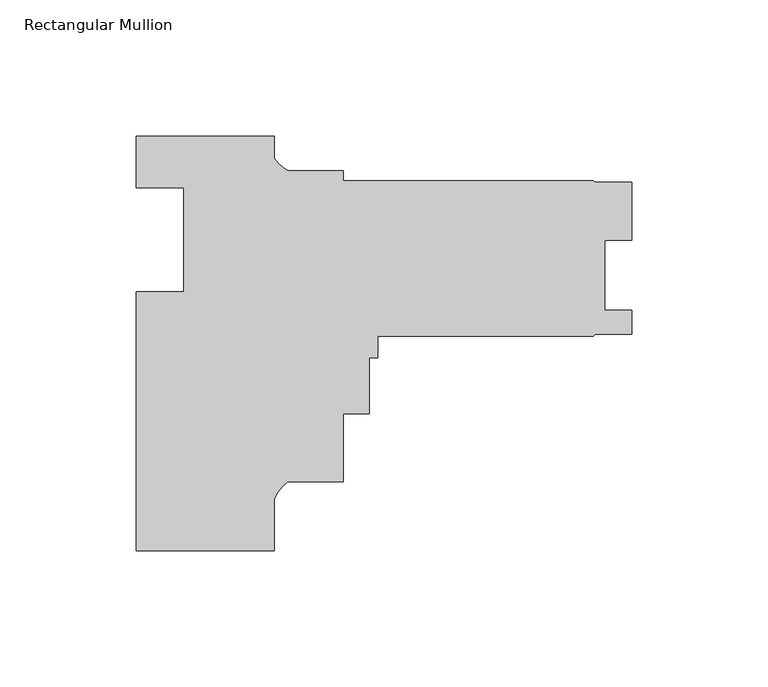
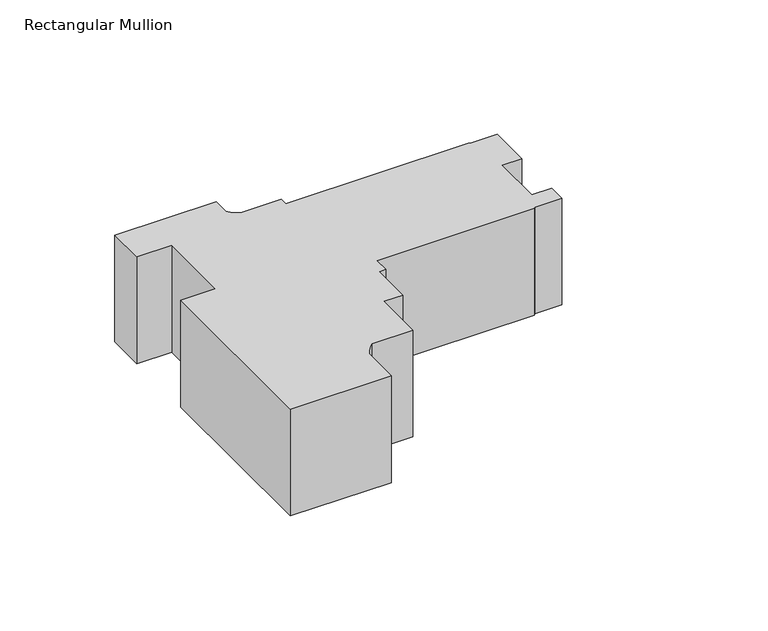
"""IFC4 building model written with IfcOpenShell, lengths in millimetres: member geometry, Rectangular Mullion."""

from ifc_helpers import new_model, si_unit, point, frame, frame_2d, origin, place, context, project, spatial, polyline, circle_curve, trimmed, segment, composite_curve, outline, extrude, source, transform, mapped, element, save


def rectangular_mullion_1cbc21e0(model_context):
    return source(origin(), model_context, "Body", "SweptSolid", [
        extrude(outline(composite_curve([segment(polyline([(-25.4, -0.0992188), (25.4, -0.0992188), (25.4, -8.3333355)]), True, "CONTINUOUS"), segment(trimmed(circle_curve(frame_2d((37.3094465, -0.3061467)), 14.3621265), [point((25.4, -8.3333355))], [point((30.3723453, -12.8818099))], True, "CARTESIAN"), True, "CONTINUOUS"), segment(polyline([(30.3723453, -12.8818099), (50.7999898, -12.8818099), (50.7999898, -16.5763542), (142.5927668, -16.5763542), (143.3616419, -17.0335541), (156.8675665, -17.0335541), (156.8675665, -38.4648043), (146.8345667, -38.4648043), (146.8345667, -64.1950042), (156.8802668, -64.1950042), (156.8802668, -72.9326042), (143.3865168, -72.9326042), (142.5927668, -73.7263542), (63.4999898, -73.7263542), (63.4999898, -81.5126099), (60.3249898, -81.5126099), (60.3249898, -102.1374099), (50.7999898, -102.1374099), (50.7999898, -127.1818099), (30.2934851, -127.1818099)]), True, "CONTINUOUS"), segment(trimmed(circle_curve(frame_2d((39.5144624, -139.4631709)), 15.3576772), [point((30.2934851, -127.1818099))], [point((25.4, -133.4100558))], True, "CARTESIAN"), True, "CONTINUOUS"), segment(polyline([(25.4, -133.4100558), (25.4, -152.4992187), (-25.4, -152.4992187), (-25.4, -57.2492187), (-7.9502, -57.2492187), (-7.9502, -19.1492187), (-25.4, -19.1492187), (-25.4, -0.0992188)]), True, "CONTINUOUS")], self_intersect=False)), frame((0.0, 0.0, -56.7255971), z_axis=(0.0, 0.0, 1.0), x_axis=(1.0, 0.0, 0.0)), (0.0, 0.0, 1.0), 56.7255971),
    ])


if __name__ == "__main__":
    model = new_model("IFC4")
    model_context = context("Model", 3, world=origin())
    ifc_project = project(units=[si_unit("LENGTHUNIT", "METRE", prefix="MILLI")], contexts=[model_context])
    site = spatial("IfcSite", under=ifc_project)
    building = spatial("IfcBuilding", under=site)
    placement = place(None, origin())
    rectangular_mullion_shape = rectangular_mullion_1cbc21e0(model_context)
    element("IfcMember", 1, ObjectType="Rectangular Mullion", at=placement, inside=building, context=model_context, shape_type="MappedRepresentation", body=[
        mapped(rectangular_mullion_shape, transform((0.0, 0.0, 0.0), x_axis=(1.0, 0.0, 0.0), y_axis=(0.0, 1.0, 0.0), z_axis=(0.0, 0.0, 1.0))),
    ])
    save(model, "model.ifc")
